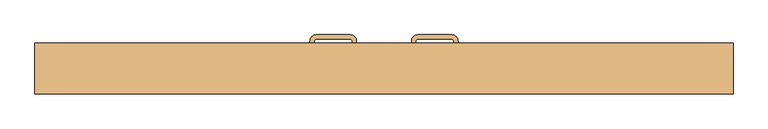
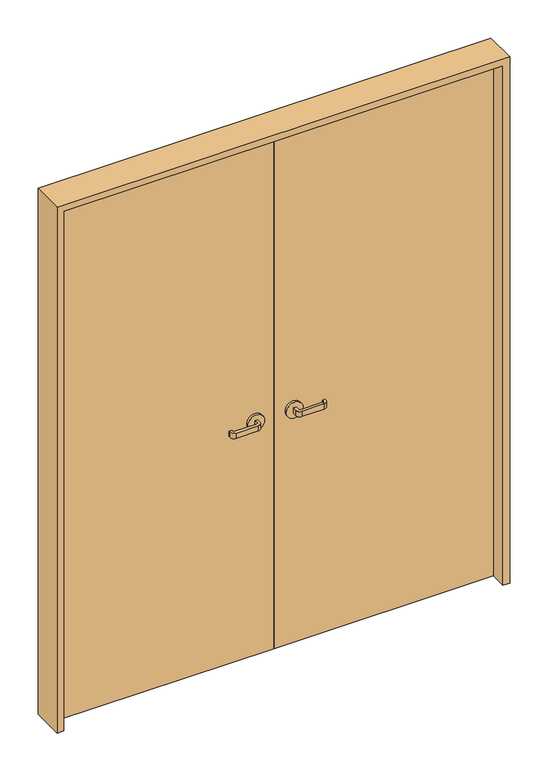
"""IFC4 building model written with IfcOpenShell, lengths in millimetres: door geometry."""

from ifc_helpers import new_model, si_unit, point, frame, frame_2d, origin, origin_with_axes, place, context, project, spatial, polyline, circle_curve, trimmed, segment, composite_curve, outline, extrude, source, transform, mapped, element, save


def door_1de376c6(model_context):
    return source(origin(), model_context, "Body", "SweptSolid", [
        extrude(outline(polyline([(791.5283918, 40.0), (791.5283918, 0.0), (-8.4716082, 0.0), (-8.4716082, 40.0), (791.5283918, 40.0)])), origin_with_axes(), (0.0, 0.0, 1.0), 2000.0),
        extrude(outline(polyline([(-8.4716082, 40.0), (-8.4716082, 0.0), (-808.4716082, 0.0), (-808.4716082, 40.0), (-8.4716082, 40.0)])), origin_with_axes(), (0.0, 0.0, 1.0), 2000.0),
        extrude(outline(composite_curve([segment(polyline([(-83.4716082, 50.0), (-83.4716082, 65.0)]), True, "CONTINUOUS"), segment(trimmed(circle_curve(frame_2d((-88.4716082, 65.0)), 5.0), [point((-83.4716082, 65.0))], [point((-88.4716082, 70.0))], True, "CARTESIAN"), True, "CONTINUOUS"), segment(polyline([(-88.4716082, 70.0), (-168.4716082, 70.0)]), True, "CONTINUOUS"), segment(trimmed(circle_curve(frame_2d((-168.4716082, 65.0)), 5.0), [point((-168.4716082, 70.0))], [point((-173.4716082, 65.0))], True, "CARTESIAN"), True, "CONTINUOUS"), segment(polyline([(-173.4716082, 65.0), (-173.4716082, 60.0), (-183.4716082, 60.0), (-183.4716082, 65.0)]), True, "CONTINUOUS"), segment(trimmed(circle_curve(frame_2d((-168.4716082, 65.0)), 15.0), [point((-183.4716082, 65.0))], [point((-168.4716082, 80.0))], False, "CARTESIAN"), True, "CONTINUOUS"), segment(polyline([(-168.4716082, 80.0), (-88.4716082, 80.0)]), True, "CONTINUOUS"), segment(trimmed(circle_curve(frame_2d((-88.4716082, 65.0)), 15.0), [point((-88.4716082, 80.0))], [point((-73.4716082, 65.0))], False, "CARTESIAN"), True, "CONTINUOUS"), segment(polyline([(-73.4716082, 65.0), (-73.4716082, 50.0), (-83.4716082, 50.0)]), True, "CONTINUOUS")], self_intersect=False)), frame((0.0, 0.0, 890.0), z_axis=(0.0, 0.0, 1.0), x_axis=(1.0, 0.0, 0.0)), (0.0, 0.0, 1.0), 20.0),
        extrude(outline(composite_curve([segment(trimmed(circle_curve(frame_2d((900.0, -78.4716082)), 30.0), [point((900.0, -48.4716082))], [point((900.0, -108.4716082))], False, "CARTESIAN"), True, "CONTINUOUS"), segment(trimmed(circle_curve(frame_2d((900.0, -78.4716082)), 30.0), [point((900.0, -108.4716082))], [point((900.0, -48.4716082))], False, "CARTESIAN"), True, "CONTINUOUS")], self_intersect=False)), frame((0.0, 40.0, 0.0), z_axis=(0.0, 1.0, 0.0), x_axis=(0.0, 0.0, 1.0)), (0.0, 0.0, 1.0), 10.0),
        extrude(outline(composite_curve([segment(polyline([(-73.4716082, -10.0), (-73.4716082, -25.0)]), True, "CONTINUOUS"), segment(trimmed(circle_curve(frame_2d((-88.4716082, -25.0)), 15.0), [point((-73.4716082, -25.0))], [point((-88.4716082, -40.0))], False, "CARTESIAN"), True, "CONTINUOUS"), segment(polyline([(-88.4716082, -40.0), (-168.4716082, -40.0)]), True, "CONTINUOUS"), segment(trimmed(circle_curve(frame_2d((-168.4716082, -25.0)), 15.0), [point((-168.4716082, -40.0))], [point((-183.4716082, -25.0))], False, "CARTESIAN"), True, "CONTINUOUS"), segment(polyline([(-183.4716082, -25.0), (-183.4716082, -20.0), (-173.4716082, -20.0), (-173.4716082, -25.0)]), True, "CONTINUOUS"), segment(trimmed(circle_curve(frame_2d((-168.4716082, -25.0)), 5.0), [point((-173.4716082, -25.0))], [point((-168.4716082, -30.0))], True, "CARTESIAN"), True, "CONTINUOUS"), segment(polyline([(-168.4716082, -30.0), (-88.4716082, -30.0)]), True, "CONTINUOUS"), segment(trimmed(circle_curve(frame_2d((-88.4716082, -25.0)), 5.0), [point((-88.4716082, -30.0))], [point((-83.4716082, -25.0))], True, "CARTESIAN"), True, "CONTINUOUS"), segment(polyline([(-83.4716082, -25.0), (-83.4716082, -10.0), (-73.4716082, -10.0)]), True, "CONTINUOUS")], self_intersect=False)), frame((0.0, 0.0, 890.0), z_axis=(0.0, 0.0, 1.0), x_axis=(1.0, 0.0, 0.0)), (0.0, 0.0, 1.0), 20.0),
        extrude(outline(composite_curve([segment(trimmed(circle_curve(frame_2d((900.0, -78.4716082)), 30.0), [point((900.0, -48.4716082))], [point((900.0, -108.4716082))], False, "CARTESIAN"), True, "CONTINUOUS"), segment(trimmed(circle_curve(frame_2d((900.0, -78.4716082)), 30.0), [point((900.0, -108.4716082))], [point((900.0, -48.4716082))], False, "CARTESIAN"), True, "CONTINUOUS")], self_intersect=False)), frame((0.0, -10.0, 0.0), z_axis=(0.0, 1.0, 0.0), x_axis=(0.0, 0.0, 1.0)), (0.0, 0.0, 1.0), 10.0),
        extrude(outline(composite_curve([segment(polyline([(66.5283918, 50.0), (56.5283918, 50.0), (56.5283918, 65.0)]), True, "CONTINUOUS"), segment(trimmed(circle_curve(frame_2d((71.5283918, 65.0)), 15.0), [point((56.5283918, 65.0))], [point((71.5283918, 80.0))], False, "CARTESIAN"), True, "CONTINUOUS"), segment(polyline([(71.5283918, 80.0), (151.5283918, 80.0)]), True, "CONTINUOUS"), segment(trimmed(circle_curve(frame_2d((151.5283918, 65.0)), 15.0), [point((151.5283918, 80.0))], [point((166.5283918, 65.0))], False, "CARTESIAN"), True, "CONTINUOUS"), segment(polyline([(166.5283918, 65.0), (166.5283918, 60.0), (156.5283918, 60.0), (156.5283918, 65.0)]), True, "CONTINUOUS"), segment(trimmed(circle_curve(frame_2d((151.5283918, 65.0)), 5.0), [point((156.5283918, 65.0))], [point((151.5283918, 70.0))], True, "CARTESIAN"), True, "CONTINUOUS"), segment(polyline([(151.5283918, 70.0), (71.5283918, 70.0)]), True, "CONTINUOUS"), segment(trimmed(circle_curve(frame_2d((71.5283918, 65.0)), 5.0), [point((71.5283918, 70.0))], [point((66.5283918, 65.0))], True, "CARTESIAN"), True, "CONTINUOUS"), segment(polyline([(66.5283918, 65.0), (66.5283918, 50.0)]), True, "CONTINUOUS")], self_intersect=False)), frame((0.0, 0.0, 890.0), z_axis=(0.0, 0.0, 1.0), x_axis=(1.0, 0.0, 0.0)), (0.0, 0.0, 1.0), 20.0),
        extrude(outline(composite_curve([segment(trimmed(circle_curve(frame_2d((900.0, 61.5283918)), 30.0), [point((900.0, 31.5283918))], [point((900.0, 91.5283918))], False, "CARTESIAN"), True, "CONTINUOUS"), segment(trimmed(circle_curve(frame_2d((900.0, 61.5283918)), 30.0), [point((900.0, 91.5283918))], [point((900.0, 31.5283918))], False, "CARTESIAN"), True, "CONTINUOUS")], self_intersect=False)), frame((0.0, 40.0, 0.0), z_axis=(0.0, 1.0, 0.0), x_axis=(0.0, 0.0, 1.0)), (0.0, 0.0, 1.0), 10.0),
        extrude(outline(composite_curve([segment(polyline([(56.5283918, -10.0), (66.5283918, -10.0), (66.5283918, -25.0)]), True, "CONTINUOUS"), segment(trimmed(circle_curve(frame_2d((71.5283918, -25.0)), 5.0), [point((66.5283918, -25.0))], [point((71.5283918, -30.0))], True, "CARTESIAN"), True, "CONTINUOUS"), segment(polyline([(71.5283918, -30.0), (151.5283918, -30.0)]), True, "CONTINUOUS"), segment(trimmed(circle_curve(frame_2d((151.5283918, -25.0)), 5.0), [point((151.5283918, -30.0))], [point((156.5283918, -25.0))], True, "CARTESIAN"), True, "CONTINUOUS"), segment(polyline([(156.5283918, -25.0), (156.5283918, -20.0), (166.5283918, -20.0), (166.5283918, -25.0)]), True, "CONTINUOUS"), segment(trimmed(circle_curve(frame_2d((151.5283918, -25.0)), 15.0), [point((166.5283918, -25.0))], [point((151.5283918, -40.0))], False, "CARTESIAN"), True, "CONTINUOUS"), segment(polyline([(151.5283918, -40.0), (71.5283918, -40.0)]), True, "CONTINUOUS"), segment(trimmed(circle_curve(frame_2d((71.5283918, -25.0)), 15.0), [point((71.5283918, -40.0))], [point((56.5283918, -25.0))], False, "CARTESIAN"), True, "CONTINUOUS"), segment(polyline([(56.5283918, -25.0), (56.5283918, -10.0)]), True, "CONTINUOUS")], self_intersect=False)), frame((0.0, 0.0, 890.0), z_axis=(0.0, 0.0, 1.0), x_axis=(1.0, 0.0, 0.0)), (0.0, 0.0, 1.0), 20.0),
        extrude(outline(composite_curve([segment(trimmed(circle_curve(frame_2d((900.0, 61.5283918)), 30.0), [point((900.0, 31.5283918))], [point((900.0, 91.5283918))], False, "CARTESIAN"), True, "CONTINUOUS"), segment(trimmed(circle_curve(frame_2d((900.0, 61.5283918)), 30.0), [point((900.0, 91.5283918))], [point((900.0, 31.5283918))], False, "CARTESIAN"), True, "CONTINUOUS")], self_intersect=False)), frame((0.0, -10.0, 0.0), z_axis=(0.0, 1.0, 0.0), x_axis=(0.0, 0.0, 1.0)), (0.0, 0.0, 1.0), 10.0),
        extrude(outline(polyline([(0.0, -833.4716082), (0.0, -808.4716082), (2000.0, -808.4716082), (2000.0, 791.5283918), (0.0, 791.5283918), (0.0, 816.5283918), (2025.0, 816.5283918), (2025.0, -833.4716082), (0.0, -833.4716082)])), frame((0.0, -60.0, 0.0), z_axis=(0.0, 1.0, 0.0), x_axis=(0.0, 0.0, 1.0)), (0.0, 0.0, 1.0), 120.0),
    ])


if __name__ == "__main__":
    model = new_model("IFC4")
    model_context = context("Model", 3, world=origin())
    ifc_project = project(units=[si_unit("LENGTHUNIT", "METRE", prefix="MILLI")], contexts=[model_context])
    site = spatial("IfcSite", under=ifc_project)
    building = spatial("IfcBuilding", under=site)
    placement = place(None, origin())
    door_shape = door_1de376c6(model_context)
    element("IfcDoor", 1, at=placement, inside=building, context=model_context, shape_type="MappedRepresentation", body=[
        mapped(door_shape, transform((0.0, 0.0, 0.0), x_axis=(1.0, 0.0, 0.0), y_axis=(0.0, 1.0, 0.0), z_axis=(0.0, 0.0, 1.0))),
    ])
    save(model, "model.ifc")
